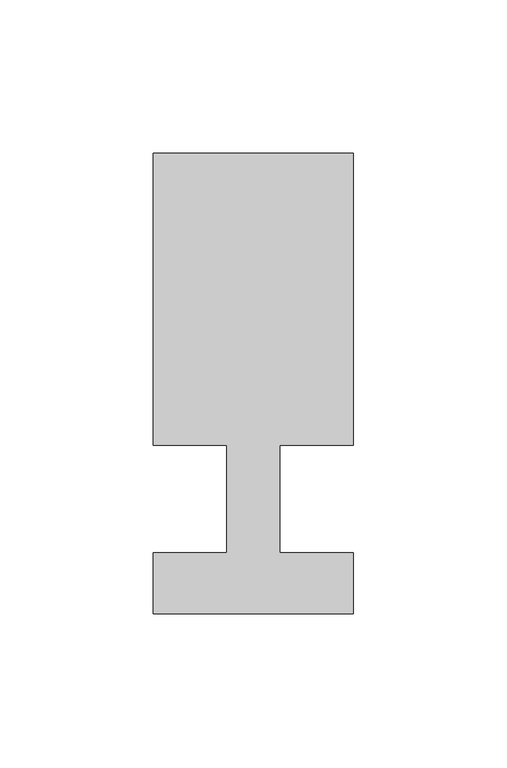
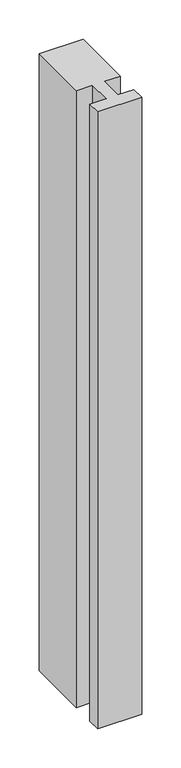
"""IFC4 building model written with IfcOpenShell, lengths in millimetres: member geometry."""

from ifc_helpers import new_model, si_unit, frame, origin, place, context, project, spatial, polyline, outline, extrude, source, transform, mapped, element, save


def member_30309d20(model_context):
    return source(origin(), model_context, "Body", "SweptSolid", [
        extrude(outline(polyline([(0.0, -37.0), (-65.0, -37.0), (-65.0, -17.0), (-41.1875, -17.0), (-41.1875, 18.0), (-65.0, 18.0), (-65.0, 113.0), (0.0, 113.0), (0.0, 18.0), (-23.8125, 18.0), (-23.8125, -17.0), (0.0, -17.0), (0.0, -37.0)])), frame((0.0, 0.0, -962.9107143), z_axis=(0.0, 0.0, 1.0), x_axis=(1.0, 0.0, 0.0)), (0.0, 0.0, 1.0), 962.9107143),
    ])


if __name__ == "__main__":
    model = new_model("IFC4")
    model_context = context("Model", 3, world=origin())
    ifc_project = project(units=[si_unit("LENGTHUNIT", "METRE", prefix="MILLI")], contexts=[model_context])
    site = spatial("IfcSite", under=ifc_project)
    building = spatial("IfcBuilding", under=site)
    placement = place(None, origin())
    member_shape = member_30309d20(model_context)
    element("IfcMember", 1, at=placement, inside=building, context=model_context, shape_type="MappedRepresentation", body=[
        mapped(member_shape, transform((0.0, 0.0, 0.0), x_axis=(1.0, 0.0, 0.0), y_axis=(0.0, 1.0, 0.0), z_axis=(0.0, 0.0, 1.0))),
    ])
    save(model, "model.ifc")
